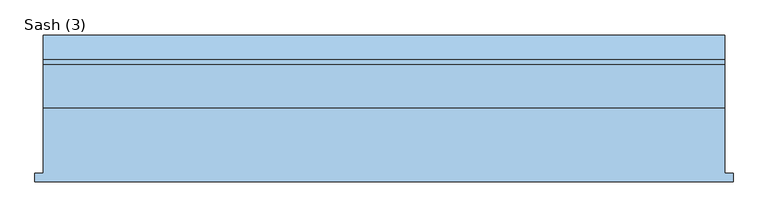
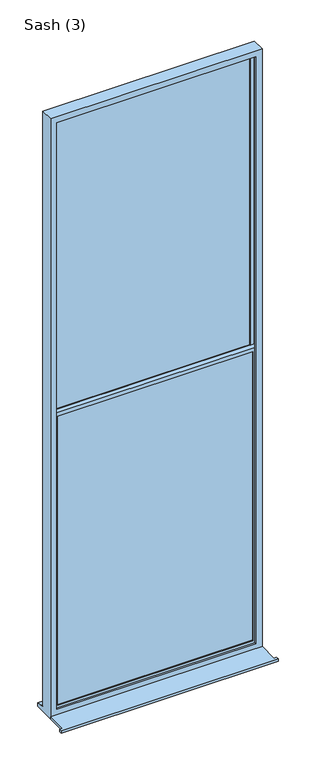
"""IFC4 building model written with IfcOpenShell, lengths in millimetres: window geometry, Sash (3)."""

from ifc_helpers import new_model, si_unit, frame, origin, place, context, project, spatial, polyline, outline, extrude, faceted_brep, source, transform, mapped, element, save


def sash_3_a94889a2(model_context):
    return source(origin(), model_context, "Body", "SolidModel", [
        extrude(outline(polyline([(-1310.0, -226.5434322), (-1310.0, -201.5434322), (-1285.0, -201.5434322), (-1285.0, -9.5434322), (715.0, -9.5434322), (715.0, -201.5434322), (740.0, -201.5434322), (740.0, -226.5434322), (-1310.0, -226.5434322)])), frame((0.0, 0.0, -3890.0), z_axis=(0.0, 0.0, 1.0), x_axis=(1.0, 0.0, 0.0)), (0.0, 0.0, 1.0), 25.0),
        extrude(outline(polyline([(647.9289322, 63.9565678), (-1217.9289322, 63.9565678), (-1217.9289322, 87.9565678), (647.9289322, 87.9565678), (647.9289322, 63.9565678)])), frame((0.0, 0.0, -875.4289322), z_axis=(0.0, 0.0, 1.0), x_axis=(1.0, 0.0, 0.0)), (0.0, 0.0, 1.0), 2918.3578644),
        extrude(outline(polyline([(647.9289322, 18.9565678), (-1217.9289322, 18.9565678), (-1217.9289322, 42.9565678), (647.9289322, 42.9565678), (647.9289322, 18.9565678)])), frame((0.0, 0.0, -3799.9289322), z_axis=(0.0, 0.0, 1.0), x_axis=(1.0, 0.0, 0.0)), (0.0, 0.0, 1.0), 2907.8578644),
        faceted_brep([(-1285.0, -9.5434322, -3890.0), (715.0, -9.5434322, -3890.0), (715.0, -9.5434322, 2110.0), (-1285.0, -9.5434322, 2110.0), (-1225.0, -9.5434322, 2050.0), (655.0, -9.5434322, 2050.0), (655.0, -9.5434322, -3815.0), (-1225.0, -9.5434322, -3815.0), (-1285.0, 116.4565678, 2110.0), (-1285.0, 116.4565678, -3839.0), (-1285.0, 131.4565678, -3839.7290722), (-1285.0, 131.4565678, -3843.4449221), (-1285.0, 203.9565678, -3856.1911153), (-1285.0, 203.9565678, -3890.0), (715.0, 116.4565678, 2110.0), (715.0, 116.4565678, -3839.0), (-1225.0, 116.4565678, 2050.0), (-1225.0, 116.4565678, -3827.0), (655.0, 116.4565678, -3827.0), (655.0, 116.4565678, 2050.0), (-1225.0, 98.4565678, 2050.0), (-1225.0, 98.4565678, -3827.0), (655.0, 98.4565678, 2050.0), (655.0, 98.4565678, -3827.0), (675.0, 98.4565678, -3827.0), (675.0, 98.4565678, 2070.0), (-1245.0, 98.4565678, 2070.0), (-1245.0, 98.4565678, -3827.0), (-1245.0, 8.4565678, 2070.0), (-1245.0, 8.4565678, -3827.0), (675.0, 8.4565678, 2070.0), (675.0, 8.4565678, -3827.0), (-1225.0, 8.4565678, 2050.0), (-1225.0, 8.4565678, -3815.0), (655.0, 8.4565678, -3815.0), (655.0, 8.4565678, 2050.0), (715.0, 203.9565678, -3890.0), (715.0, 203.9565678, -3856.1911153), (715.0, 131.4565678, -3843.4449221), (715.0, 131.4565678, -3839.7290722)], [[[0, 1, 2, 3], [4, 5, 6, 7]], [[0, 3, 8, 9, 10, 11, 12, 13]], [[9, 8, 14, 15], [16, 17, 18, 19]], [[17, 16, 20, 21]], [[21, 20, 22, 23, 24, 25, 26, 27]], [[27, 26, 28, 29]], [[28, 30, 31, 29], [32, 33, 34, 35]], [[32, 4, 7, 33]], [[3, 2, 14, 8]], [[16, 19, 22, 20]], [[26, 25, 30, 28]], [[5, 4, 32, 35]], [[15, 14, 2, 1, 36, 37, 38, 39]], [[19, 18, 23, 22]], [[25, 24, 31, 30]], [[5, 35, 34, 6]], [[36, 1, 0, 13]], [[37, 36, 13, 12]], [[38, 37, 12, 11]], [[39, 38, 11, 10]], [[15, 39, 10, 9]], [[29, 31, 24, 23, 18, 17, 21, 27]], [[7, 6, 34, 33]]]),
        faceted_brep([(-1245.0, 53.4565678, 2070.4289322), (-1245.0, 98.4565678, 2070.4289322), (-1245.0, 98.4565678, -902.5), (-1245.0, 53.4565678, -902.5), (-1207.9289322, 63.9565678, 2033.3578644), (-1207.9289322, 53.4565678, 2033.3578644), (-1207.9289322, 53.4565678, -865.4289322), (-1207.9289322, 63.9565678, -865.4289322), (-1217.9289322, 87.9565678, 2043.3578644), (-1217.9289322, 63.9565678, 2043.3578644), (-1217.9289322, 63.9565678, -875.4289322), (-1217.9289322, 87.9565678, -875.4289322), (-1207.9289322, 98.4565678, 2033.3578644), (-1207.9289322, 87.9565678, 2033.3578644), (-1207.9289322, 87.9565678, -865.4289322), (-1207.9289322, 98.4565678, -865.4289322), (675.0, 98.4565678, -902.5), (675.0, 53.4565678, -902.5), (637.9289322, 53.4565678, -865.4289322), (637.9289322, 63.9565678, -865.4289322), (647.9289322, 63.9565678, -875.4289322), (647.9289322, 87.9565678, -875.4289322), (637.9289322, 87.9565678, -865.4289322), (637.9289322, 98.4565678, -865.4289322), (675.0, 98.4565678, 2070.4289322), (675.0, 53.4565678, 2070.4289322), (637.9289322, 53.4565678, 2033.3578644), (637.9289322, 63.9565678, 2033.3578644), (647.9289322, 63.9565678, 2043.3578644), (647.9289322, 87.9565678, 2043.3578644), (637.9289322, 87.9565678, 2033.3578644), (637.9289322, 98.4565678, 2033.3578644)], [[[0, 1, 2, 3]], [[4, 5, 6, 7]], [[8, 9, 10, 11]], [[12, 13, 14, 15]], [[3, 2, 16, 17]], [[7, 6, 18, 19]], [[11, 10, 20, 21]], [[15, 14, 22, 23]], [[17, 16, 24, 25]], [[19, 18, 26, 27]], [[21, 20, 28, 29]], [[23, 22, 30, 31]], [[25, 24, 1, 0]], [[3, 17, 25, 0], [5, 26, 18, 6]], [[27, 26, 5, 4]], [[9, 28, 20, 10], [7, 19, 27, 4]], [[29, 28, 9, 8]], [[11, 21, 29, 8], [13, 30, 22, 14]], [[31, 30, 13, 12]], [[1, 24, 16, 2], [15, 23, 31, 12]]]),
        faceted_brep([(-1245.0, 8.4565678, -865.0), (-1245.0, 53.4565678, -865.0), (-1245.0, 53.4565678, -3827.0), (-1245.0, 8.4565678, -3827.0), (-1207.9289322, 18.9565678, -902.0710678), (-1207.9289322, 8.4565678, -902.0710678), (-1207.9289322, 8.4565678, -3789.9289322), (-1207.9289322, 18.9565678, -3789.9289322), (-1217.9289322, 42.9565678, -892.0710678), (-1217.9289322, 18.9565678, -892.0710678), (-1217.9289322, 18.9565678, -3799.9289322), (-1217.9289322, 42.9565678, -3799.9289322), (-1207.9289322, 53.4565678, -902.0710678), (-1207.9289322, 42.9565678, -902.0710678), (-1207.9289322, 42.9565678, -3789.9289322), (-1207.9289322, 53.4565678, -3789.9289322), (675.0, 53.4565678, -3827.0), (675.0, 8.4565678, -3827.0), (637.9289322, 8.4565678, -3789.9289322), (637.9289322, 18.9565678, -3789.9289322), (647.9289322, 18.9565678, -3799.9289322), (647.9289322, 42.9565678, -3799.9289322), (637.9289322, 42.9565678, -3789.9289322), (637.9289322, 53.4565678, -3789.9289322), (675.0, 53.4565678, -865.0), (675.0, 8.4565678, -865.0), (637.9289322, 8.4565678, -902.0710678), (637.9289322, 18.9565678, -902.0710678), (647.9289322, 18.9565678, -892.0710678), (647.9289322, 42.9565678, -892.0710678), (637.9289322, 42.9565678, -902.0710678), (637.9289322, 53.4565678, -902.0710678)], [[[0, 1, 2, 3]], [[4, 5, 6, 7]], [[8, 9, 10, 11]], [[12, 13, 14, 15]], [[3, 2, 16, 17]], [[7, 6, 18, 19]], [[11, 10, 20, 21]], [[15, 14, 22, 23]], [[17, 16, 24, 25]], [[19, 18, 26, 27]], [[21, 20, 28, 29]], [[23, 22, 30, 31]], [[25, 24, 1, 0]], [[3, 17, 25, 0], [5, 26, 18, 6]], [[27, 26, 5, 4]], [[9, 28, 20, 10], [7, 19, 27, 4]], [[29, 28, 9, 8]], [[11, 21, 29, 8], [13, 30, 22, 14]], [[31, 30, 13, 12]], [[1, 24, 16, 2], [15, 23, 31, 12]]]),
        extrude(outline(polyline([(-875.4289322, 166.4644661), (-875.4289322, 186.4644661), (573.9644661, 186.4644661), (573.9644661, 647.9289322), (593.9644661, 647.9289322), (593.9644661, 186.4644661), (2042.9289322, 186.4644661), (2042.9289322, 166.4644661), (593.9644661, 166.4644661), (593.9644661, -275.0), (2042.9289322, -275.0), (2042.9289322, -295.0), (593.9644661, -295.0), (593.9644661, -736.4644661), (2042.9289322, -736.4644661), (2042.9289322, -756.4644661), (593.9644661, -756.4644661), (593.9644661, -1217.9289322), (573.9644661, -1217.9289322), (573.9644661, -756.4644661), (-875.4289322, -756.4644661), (-875.4289322, -736.4644661), (573.9644661, -736.4644661), (573.9644661, -295.0), (-875.4289322, -295.0), (-875.4289322, -275.0), (573.9644661, -275.0), (573.9644661, 166.4644661), (-875.4289322, 166.4644661)])), frame((0.0, 71.9565678, 0.0), z_axis=(0.0, 1.0, 0.0), x_axis=(0.0, 0.0, 1.0)), (0.0, 0.0, 1.0), 8.0),
        extrude(outline(polyline([(-3799.9289322, 166.4644661), (-3799.9289322, 186.4644661), (-2374.75, 186.4644661), (-2374.75, 647.9289322), (-2354.75, 647.9289322), (-2354.75, 186.4644661), (-892.0710678, 186.4644661), (-892.0710678, 166.4644661), (-2354.75, 166.4644661), (-2354.75, -275.0), (-892.0710678, -275.0), (-892.0710678, -295.0), (-2354.75, -295.0), (-2354.75, -736.4644661), (-892.0710678, -736.4644661), (-892.0710678, -756.4644661), (-2354.75, -756.4644661), (-2354.75, -1217.9289322), (-2374.75, -1217.9289322), (-2374.75, -756.4644661), (-3799.9289322, -756.4644661), (-3799.9289322, -736.4644661), (-2374.75, -736.4644661), (-2374.75, -295.0), (-3799.9289322, -295.0), (-3799.9289322, -275.0), (-2374.75, -275.0), (-2374.75, 166.4644661), (-3799.9289322, 166.4644661)])), frame((0.0, 26.9565678, 0.0), z_axis=(0.0, 1.0, 0.0), x_axis=(0.0, 0.0, 1.0)), (0.0, 0.0, 1.0), 8.0),
    ])


if __name__ == "__main__":
    model = new_model("IFC4")
    model_context = context("Model", 3, world=origin())
    ifc_project = project(units=[si_unit("LENGTHUNIT", "METRE", prefix="MILLI")], contexts=[model_context])
    site = spatial("IfcSite", under=ifc_project)
    building = spatial("IfcBuilding", under=site)
    placement = place(None, origin())
    sash_3_shape = sash_3_a94889a2(model_context)
    element("IfcWindow", 1, ObjectType="Sash (3)", at=placement, inside=building, context=model_context, shape_type="MappedRepresentation", body=[
        mapped(sash_3_shape, transform((0.0, 0.0, 0.0), x_axis=(1.0, 0.0, 0.0), y_axis=(0.0, 1.0, 0.0), z_axis=(0.0, 0.0, 1.0))),
    ])
    save(model, "model.ifc")
